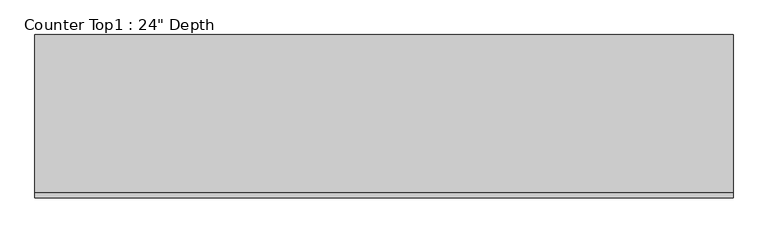
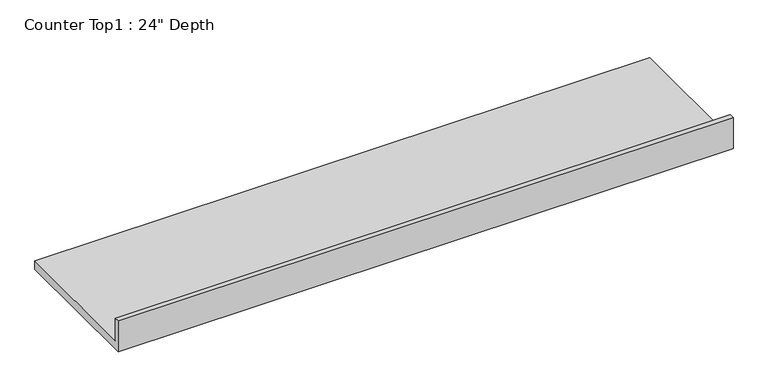
"""IFC4 building model written with IfcOpenShell, lengths in millimetres: furniture geometry."""

from ifc_helpers import new_model, si_unit, frame, origin, place, context, project, spatial, polyline, outline, extrude, source, transform, mapped, element, save


def furniture_5d503f4b(model_context):
    return source(origin(), model_context, "Body", "SweptSolid", [
        extrude(outline(polyline([(0.0, 1016.0), (19.05, 1016.0), (19.05, 914.4), (609.6, 914.4), (609.6, 876.3), (0.0, 876.3), (0.0, 1016.0)])), frame((-1200.4622951, 0.0, 0.0), z_axis=(1.0, 0.0, 0.0), x_axis=(0.0, 1.0, 0.0)), (0.0, 0.0, 1.0), 2603.7722587),
    ])


if __name__ == "__main__":
    model = new_model("IFC4")
    model_context = context("Model", 3, world=origin())
    ifc_project = project(units=[si_unit("LENGTHUNIT", "METRE", prefix="MILLI")], contexts=[model_context])
    site = spatial("IfcSite", under=ifc_project)
    building = spatial("IfcBuilding", under=site)
    placement = place(None, origin())
    furniture_shape = furniture_5d503f4b(model_context)
    element("IfcFurniture", 1, ObjectType="Counter Top1 : 24\" Depth", at=placement, inside=building, context=model_context, shape_type="MappedRepresentation", body=[
        mapped(furniture_shape, transform((0.0, 0.0, 0.0), x_axis=(1.0, 0.0, 0.0), y_axis=(0.0, 1.0, 0.0), z_axis=(0.0, 0.0, 1.0))),
    ])
    save(model, "model.ifc")
